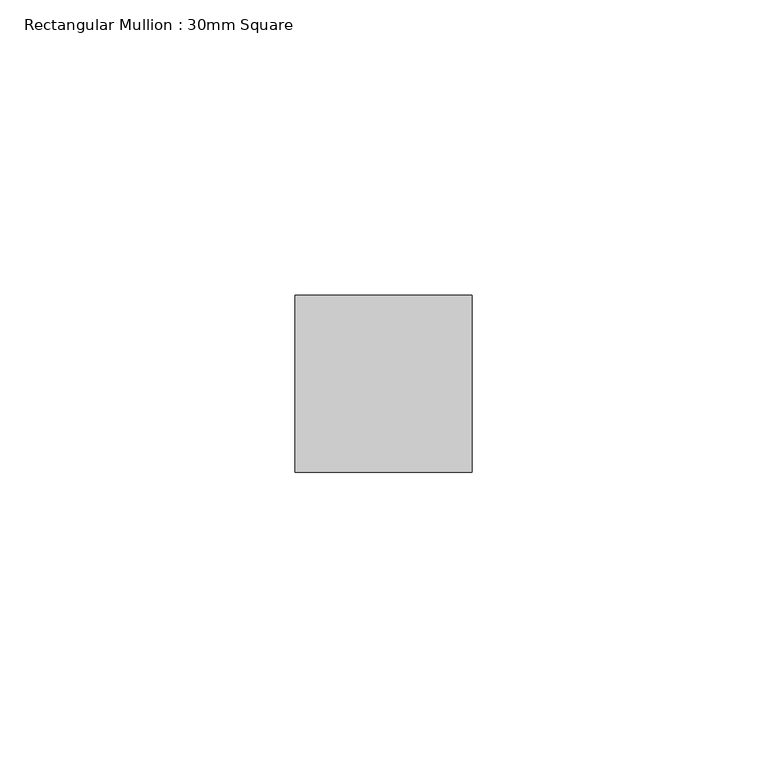
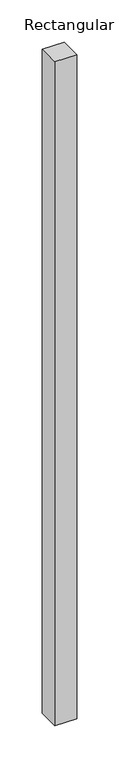
"""IFC4 building model written with IfcOpenShell, lengths in millimetres: member geometry, Rectangular Mullion : 30mm Square."""

from ifc_helpers import new_model, si_unit, frame, origin, place, context, project, spatial, polyline, outline, extrude, source, transform, mapped, element, save


def rectangular_mullion_30mm_square_e7e67e74(model_context):
    return source(origin(), model_context, "Body", "SweptSolid", [
        extrude(outline(polyline([(15.0, 15.0), (15.0, -15.0), (-15.0, -15.0), (-15.0, 15.0), (15.0, 15.0)])), frame((0.0, 0.0, -961.4407667), z_axis=(0.0, 0.0, 1.0), x_axis=(1.0, 0.0, 0.0)), (0.0, 0.0, 1.0), 961.4407667),
    ])


if __name__ == "__main__":
    model = new_model("IFC4")
    model_context = context("Model", 3, world=origin())
    ifc_project = project(units=[si_unit("LENGTHUNIT", "METRE", prefix="MILLI")], contexts=[model_context])
    site = spatial("IfcSite", under=ifc_project)
    building = spatial("IfcBuilding", under=site)
    placement = place(None, origin())
    rectangular_mullion_30mm_square_shape = rectangular_mullion_30mm_square_e7e67e74(model_context)
    element("IfcMember", 1, ObjectType="Rectangular Mullion : 30mm Square", at=placement, inside=building, context=model_context, shape_type="MappedRepresentation", body=[
        mapped(rectangular_mullion_30mm_square_shape, transform((0.0, 0.0, 0.0), x_axis=(1.0, 0.0, 0.0), y_axis=(0.0, 1.0, 0.0), z_axis=(0.0, 0.0, 1.0))),
    ])
    save(model, "model.ifc")
